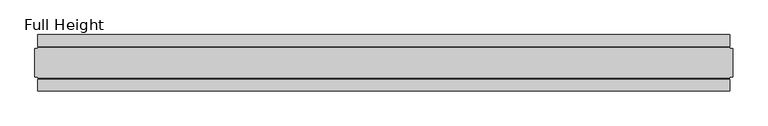
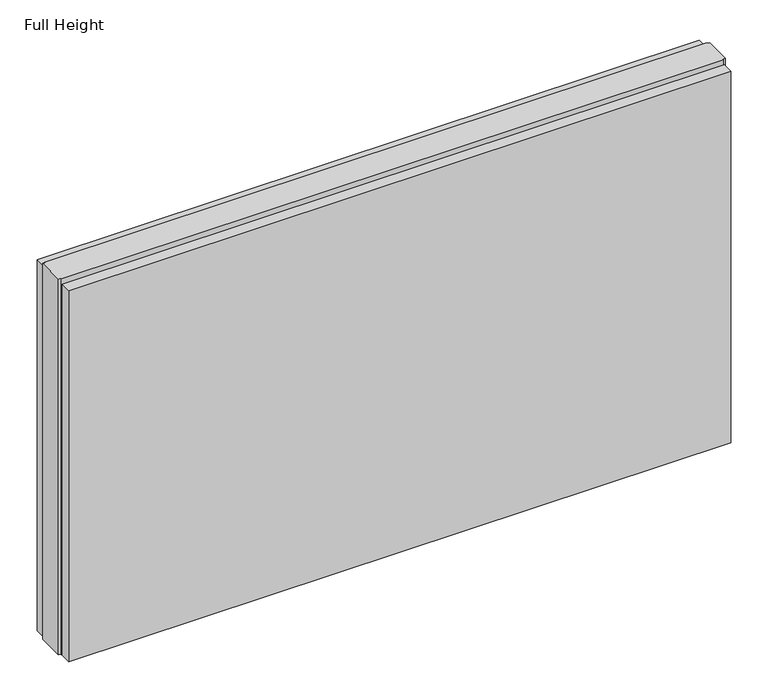
"""IFC4 building model written with IfcOpenShell, lengths in millimetres: plate geometry, Full Height."""

from ifc_helpers import new_model, si_unit, origin, origin_with_axes, place, context, project, spatial, polyline, outline, extrude, source, transform, mapped, element, save


def full_height_fa6c52c5(model_context):
    return source(origin(), model_context, "Body", "SweptSolid", [
        extrude(outline(polyline([(608.1363377, 28.956), (-608.1363377, 28.956), (-608.1363377, 49.53), (608.1363377, 49.53), (608.1363377, 28.956)])), origin_with_axes(), (0.0, 0.0, 1.0), 720.852),
        extrude(outline(polyline([(608.1363377, -28.956), (608.1363377, -49.53), (-608.1363377, -49.53), (-608.1363377, -28.956), (608.1363377, -28.956)])), origin_with_axes(), (0.0, 0.0, 1.0), 720.852),
        extrude(outline(polyline([(608.1363377, -25.146), (608.1363377, -26.67), (-608.1363377, -26.67), (-608.1363377, -25.146), (-612.7083377, -25.146), (-612.7083377, 25.146), (-608.1363377, 25.146), (-608.1363377, 26.67), (608.1363377, 26.67), (608.1363377, 25.146), (612.7083377, 25.146), (612.7083377, -25.146), (608.1363377, -25.146)])), origin_with_axes(), (0.0, 0.0, 1.0), 729.996),
    ])


if __name__ == "__main__":
    model = new_model("IFC4")
    model_context = context("Model", 3, world=origin())
    ifc_project = project(units=[si_unit("LENGTHUNIT", "METRE", prefix="MILLI")], contexts=[model_context])
    site = spatial("IfcSite", under=ifc_project)
    building = spatial("IfcBuilding", under=site)
    placement = place(None, origin())
    full_height_shape = full_height_fa6c52c5(model_context)
    element("IfcPlate", 1, ObjectType="Full Height", at=placement, inside=building, context=model_context, shape_type="MappedRepresentation", body=[
        mapped(full_height_shape, transform((0.0, 0.0, 0.0), x_axis=(1.0, 0.0, 0.0), y_axis=(0.0, 1.0, 0.0), z_axis=(0.0, 0.0, 1.0))),
    ])
    save(model, "model.ifc")
